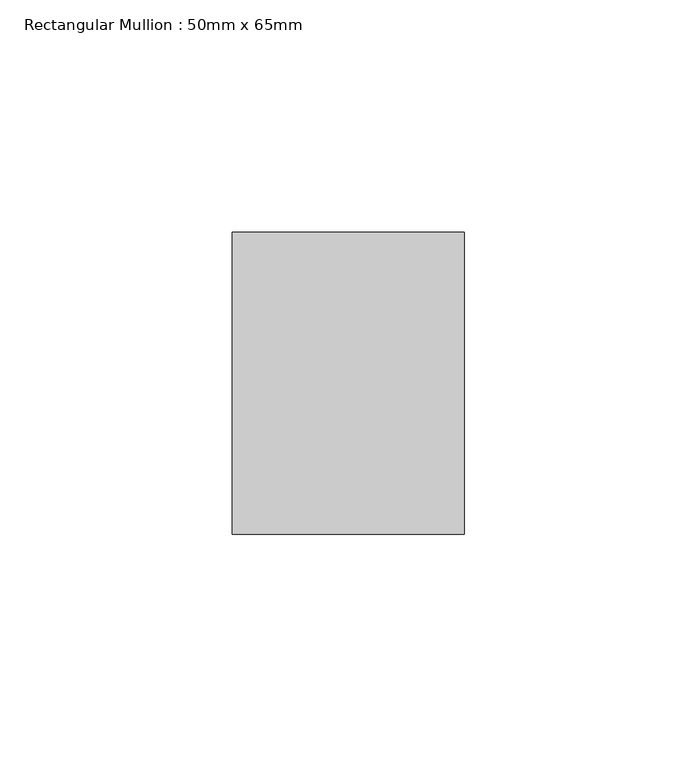
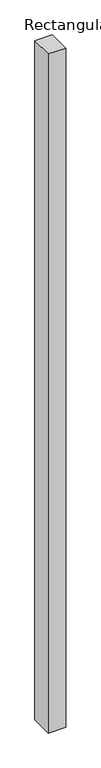
"""IFC4 building model written with IfcOpenShell, lengths in millimetres: member geometry, Rectangular Mullion : 50mm x 65mm."""

from ifc_helpers import new_model, si_unit, frame, origin, place, context, project, spatial, polyline, outline, extrude, source, transform, mapped, element, save


def rectangular_mullion_50mm_x_65mm_bb59112a(model_context):
    return source(origin(), model_context, "Body", "SweptSolid", [
        extrude(outline(polyline([(25.0, 32.5), (25.0, -32.5), (-25.0, -32.5), (-25.0, 32.5), (25.0, 32.5)])), frame((0.0, 0.0, -2042.0394124), z_axis=(0.0, 0.0, 1.0), x_axis=(1.0, 0.0, 0.0)), (0.0, 0.0, 1.0), 2042.0394124),
    ])


if __name__ == "__main__":
    model = new_model("IFC4")
    model_context = context("Model", 3, world=origin())
    ifc_project = project(units=[si_unit("LENGTHUNIT", "METRE", prefix="MILLI")], contexts=[model_context])
    site = spatial("IfcSite", under=ifc_project)
    building = spatial("IfcBuilding", under=site)
    placement = place(None, origin())
    rectangular_mullion_50mm_x_65mm_shape = rectangular_mullion_50mm_x_65mm_bb59112a(model_context)
    element("IfcMember", 1, ObjectType="Rectangular Mullion : 50mm x 65mm", at=placement, inside=building, context=model_context, shape_type="MappedRepresentation", body=[
        mapped(rectangular_mullion_50mm_x_65mm_shape, transform((0.0, 0.0, 0.0), x_axis=(1.0, 0.0, 0.0), y_axis=(0.0, 1.0, 0.0), z_axis=(0.0, 0.0, 1.0))),
    ])
    save(model, "model.ifc")
